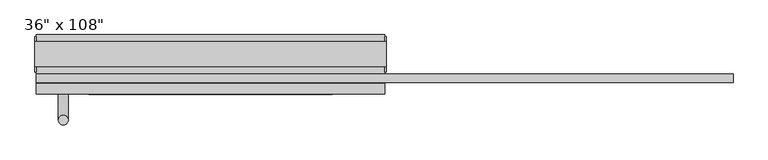
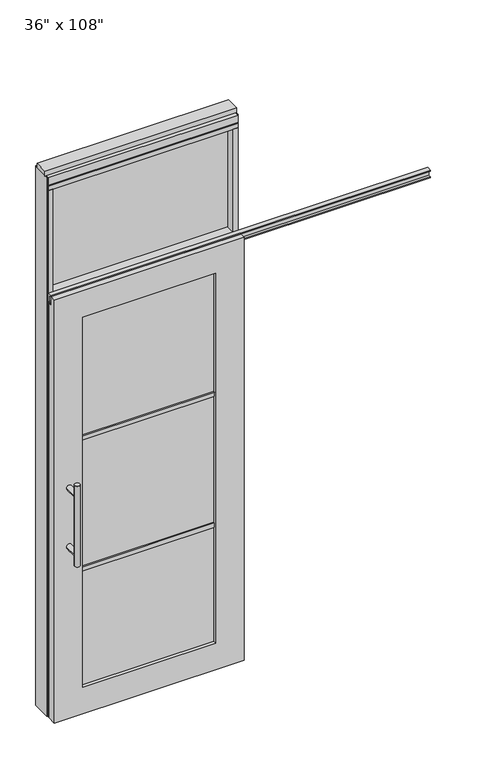
"""IFC4 building model written with IfcOpenShell, lengths in millimetres: furniture geometry."""

from ifc_helpers import new_model, si_unit, frame, origin, origin_with_axes, place, context, project, spatial, polyline, circle_curve, ellipse_curve, outline, extrude, faceted_brep, source, transform, mapped, element, save
from ifc_brep_helpers import plane_surface, cylinder_surface, advanced_brep


def furniture_dea003a3(model_context):
    return source(origin(), model_context, "Body", "SolidModel", [
        extrude(outline(polyline([(371.0014771, -9.5977216), (-491.0745229, -9.5977216), (-491.0745229, 0.5622784), (371.0014771, 0.5622784), (371.0014771, -9.5977216)])), frame((0.0, 0.0, 2133.6), z_axis=(0.0, 0.0, 1.0), x_axis=(1.0, 0.0, 0.0)), (0.0, 0.0, 1.0), 520.7),
        advanced_brep(
        [(-456.0225229, 3.3562784, 1219.2), (-430.6225229, 3.3562784, 1219.2), (-456.0225229, 3.3562784, 812.8), (-430.6225229, 3.3562784, 812.8), (-430.6225229, 3.3562784, 1164.336), (-430.6225229, 3.3562784, 867.664), (-456.0225229, 3.3562784, 867.664), (-456.0225229, 3.3562784, 1164.336), (-456.0225229, -64.2077216, 1164.336), (-430.6225229, -64.2077216, 1164.336), (-456.0225229, -64.2077216, 867.664), (-430.6225229, -64.2077216, 867.664)],
        [
            (0, 1, circle_curve(frame((-443.3225229, 3.3562784, 1219.2), z_axis=(0.0, 0.0, 1.0), x_axis=(1.0, 0.0, 0.0)), 12.7)),
            (1, 0, circle_curve(frame((-443.3225229, 3.3562784, 1219.2), z_axis=(0.0, 0.0, 1.0), x_axis=(1.0, 0.0, 0.0)), 12.7)),
            (2, 3, circle_curve(frame((-443.3225229, 3.3562784, 812.8), z_axis=(0.0, 0.0, -1.0), x_axis=(1.0, 0.0, 0.0)), 12.7)),
            (3, 2, circle_curve(frame((-443.3225229, 3.3562784, 812.8), z_axis=(0.0, 0.0, -1.0), x_axis=(1.0, 0.0, 0.0)), 12.7)),
            (1, 4),
            (4, 5),
            (5, 3),
            (2, 6),
            (6, 7),
            (7, 0),
            (6, 5, ellipse_curve(frame((-443.3225229, 3.3562784, 867.664), z_axis=(0.0, 0.707106781186565, 0.70710678118653), x_axis=(0.0, -0.70710678118653, 0.707106781186565)), 17.9605122, 12.7)),
            (4, 7, ellipse_curve(frame((-443.3225229, 3.3562784, 1164.336), z_axis=(0.0, 0.70710678118653, -0.7071067811865649), x_axis=(0.0, 0.7071067811865648, 0.7071067811865301)), 17.9605122, 12.7)),
            (7, 4, ellipse_curve(frame((-443.3225229, 3.3562784, 1164.336), z_axis=(0.0, 0.707106781186565, 0.70710678118653), x_axis=(0.0, -0.70710678118653, 0.707106781186565)), 17.9605122, 12.7)),
            (5, 6, ellipse_curve(frame((-443.3225229, 3.3562784, 867.664), z_axis=(0.0, 0.70710678118653, -0.7071067811865649), x_axis=(0.0, 0.7071067811865648, 0.7071067811865301)), 17.9605122, 12.7)),
            (8, 9, circle_curve(frame((-443.3225229, -64.2077216, 1164.336), z_axis=(0.0, -1.0, 0.0), x_axis=(1.0, 0.0, 0.0)), 12.7)),
            (9, 8, circle_curve(frame((-443.3225229, -64.2077216, 1164.336), z_axis=(0.0, -1.0, 0.0), x_axis=(1.0, 0.0, 0.0)), 12.7)),
            (8, 7),
            (4, 9),
            (10, 11, circle_curve(frame((-443.3225229, -64.2077216, 867.664), z_axis=(0.0, -1.0, 0.0), x_axis=(1.0, 0.0, 0.0)), 12.7)),
            (11, 10, circle_curve(frame((-443.3225229, -64.2077216, 867.664), z_axis=(0.0, -1.0, 0.0), x_axis=(1.0, 0.0, 0.0)), 12.7)),
            (10, 6),
            (5, 11),
        ],
        [
            plane_surface(frame((-430.6225229, 3.3562784, 1219.2), z_axis=(0.0, 0.0, 1.0), x_axis=(0.0, -1.0, 0.0))),
            plane_surface(frame((-430.6225229, 3.3562784, 812.8), z_axis=(0.0, 0.0, -1.0), x_axis=(0.0, 1.0, 0.0))),
            cylinder_surface(frame((-443.3225229, 3.3562784, 812.8), z_axis=(0.0, 0.0, 1.0), x_axis=(1.0, 0.0, 0.0)), 12.7),
            plane_surface(frame((-430.6225229, -64.2077216, 1164.336), z_axis=(0.0, -1.0, 0.0), x_axis=(0.0, 0.0, -1.0))),
            cylinder_surface(frame((-443.3225229, -64.2077216, 1164.336), z_axis=(0.0, 1.0, 0.0), x_axis=(1.0, 0.0, 0.0)), 12.7),
            plane_surface(frame((-430.6225229, -64.2077216, 867.664), z_axis=(0.0, -1.0, 0.0), x_axis=(0.0, 0.0, -1.0))),
            cylinder_surface(frame((-443.3225229, -64.2077216, 867.664), z_axis=(0.0, 1.0, 0.0), x_axis=(1.0, 0.0, 0.0)), 12.7),
        ],
        [
            (0, [[1, 2]]),
            (1, [[3, 4]]),
            (2, [[5, 6, 7, -3, 8, 9, 10, -2]]),
            (2, [[-9, 11, -6, 12]]),
            (2, [[-10, 13, -5, -1]]),
            (2, [[-7, 14, -8, -4]]),
            (3, [[15, 16]]),
            (4, [[17, -12, 18, -15]]),
            (4, [[-18, -13, -17, -16]]),
            (5, [[19, 20]]),
            (6, [[21, -14, 22, -19]]),
            (6, [[-22, -11, -21, -20]]),
        ],
    ),
        advanced_brep(
        [(-456.0225229, -176.2217216, 1219.2), (-430.6225229, -176.2217216, 1219.2), (-456.0225229, -176.2217216, 812.8), (-430.6225229, -176.2217216, 812.8), (-456.0225229, -176.2217216, 1164.336), (-456.0225229, -176.2217216, 867.664), (-430.6225229, -176.2217216, 867.664), (-430.6225229, -176.2217216, 1164.336), (-456.0225229, -108.6577216, 1164.336), (-430.6225229, -108.6577216, 1164.336), (-456.0225229, -108.6577216, 867.664), (-430.6225229, -108.6577216, 867.664)],
        [
            (0, 1, circle_curve(frame((-443.3225229, -176.2217216, 1219.2), z_axis=(0.0, 0.0, 1.0), x_axis=(1.0, 0.0, 0.0)), 12.7)),
            (1, 0, circle_curve(frame((-443.3225229, -176.2217216, 1219.2), z_axis=(0.0, 0.0, 1.0), x_axis=(1.0, 0.0, 0.0)), 12.7)),
            (2, 3, circle_curve(frame((-443.3225229, -176.2217216, 812.8), z_axis=(0.0, 0.0, -1.0), x_axis=(1.0, 0.0, 0.0)), 12.7)),
            (3, 2, circle_curve(frame((-443.3225229, -176.2217216, 812.8), z_axis=(0.0, 0.0, -1.0), x_axis=(1.0, 0.0, 0.0)), 12.7)),
            (0, 4),
            (4, 5),
            (5, 2),
            (3, 6),
            (6, 7),
            (7, 1),
            (7, 4, ellipse_curve(frame((-443.3225229, -176.2217216, 1164.336), z_axis=(0.0, -0.707106781186565, 0.70710678118653), x_axis=(0.0, 0.70710678118653, 0.707106781186565)), 17.9605122, 12.7)),
            (5, 6, ellipse_curve(frame((-443.3225229, -176.2217216, 867.664), z_axis=(0.0, -0.70710678118653, -0.7071067811865649), x_axis=(0.0, -0.7071067811865648, 0.7071067811865301)), 17.9605122, 12.7)),
            (4, 7, ellipse_curve(frame((-443.3225229, -176.2217216, 1164.336), z_axis=(0.0, -0.70710678118653, -0.7071067811865649), x_axis=(0.0, -0.7071067811865648, 0.7071067811865301)), 17.9605122, 12.7)),
            (6, 5, ellipse_curve(frame((-443.3225229, -176.2217216, 867.664), z_axis=(0.0, -0.707106781186565, 0.70710678118653), x_axis=(0.0, 0.70710678118653, 0.707106781186565)), 17.9605122, 12.7)),
            (8, 9, circle_curve(frame((-443.3225229, -108.6577216, 1164.336), z_axis=(0.0, 1.0, 0.0), x_axis=(1.0, 0.0, 0.0)), 12.7)),
            (9, 8, circle_curve(frame((-443.3225229, -108.6577216, 1164.336), z_axis=(0.0, 1.0, 0.0), x_axis=(1.0, 0.0, 0.0)), 12.7)),
            (9, 7),
            (4, 8),
            (10, 11, circle_curve(frame((-443.3225229, -108.6577216, 867.664), z_axis=(0.0, 1.0, 0.0), x_axis=(1.0, 0.0, 0.0)), 12.7)),
            (11, 10, circle_curve(frame((-443.3225229, -108.6577216, 867.664), z_axis=(0.0, 1.0, 0.0), x_axis=(1.0, 0.0, 0.0)), 12.7)),
            (11, 6),
            (5, 10),
        ],
        [
            plane_surface(frame((-430.6225229, -176.2217216, 1219.2), z_axis=(0.0, 0.0, 1.0), x_axis=(0.0, 1.0, 0.0))),
            plane_surface(frame((-430.6225229, -176.2217216, 812.8), z_axis=(0.0, 0.0, -1.0), x_axis=(0.0, -1.0, 0.0))),
            cylinder_surface(frame((-443.3225229, -176.2217216, 812.8), z_axis=(0.0, 0.0, 1.0), x_axis=(1.0, 0.0, 0.0)), 12.7),
            plane_surface(frame((-430.6225229, -108.6577216, 1164.336), z_axis=(0.0, 1.0, 0.0), x_axis=(0.0, 0.0, -1.0))),
            cylinder_surface(frame((-443.3225229, -108.6577216, 1164.336), z_axis=(0.0, -1.0, 0.0), x_axis=(1.0, 0.0, 0.0)), 12.7),
            plane_surface(frame((-430.6225229, -108.6577216, 867.664), z_axis=(0.0, 1.0, 0.0), x_axis=(0.0, 0.0, -1.0))),
            cylinder_surface(frame((-443.3225229, -108.6577216, 867.664), z_axis=(0.0, -1.0, 0.0), x_axis=(1.0, 0.0, 0.0)), 12.7),
        ],
        [
            (0, [[1, 2]]),
            (1, [[3, 4]]),
            (2, [[-1, 5, 6, 7, -4, 8, 9, 10]]),
            (2, [[-2, -10, 11, -5]]),
            (2, [[-3, -7, 12, -8]]),
            (2, [[13, -9, 14, -6]]),
            (3, [[15, 16]]),
            (4, [[-16, 17, -13, 18]]),
            (4, [[-15, -18, -11, -17]]),
            (5, [[19, 20]]),
            (6, [[-20, 21, -12, 22]]),
            (6, [[-19, -22, -14, -21]]),
        ],
    ),
        extrude(outline(polyline([(-377.2825229, -97.5452216), (-377.2825229, -75.3202216), (257.2094771, -75.3202216), (257.2094771, -97.5452216), (-377.2825229, -97.5452216)])), frame((0.0, 0.0, 1371.6), z_axis=(0.0, 0.0, 1.0), x_axis=(1.0, 0.0, 0.0)), (0.0, 0.0, 1.0), 22.225),
        extrude(outline(polyline([(-377.2825229, -97.5452216), (-377.2825229, -75.3202216), (257.2094771, -75.3202216), (257.2094771, -97.5452216), (-377.2825229, -97.5452216)])), frame((0.0, 0.0, 711.2), z_axis=(0.0, 0.0, 1.0), x_axis=(1.0, 0.0, 0.0)), (0.0, 0.0, 1.0), 22.225),
        extrude(outline(polyline([(257.2094771, -91.5127216), (-377.2825229, -91.5127216), (-377.2825229, -81.3527216), (257.2094771, -81.3527216), (257.2094771, -91.5127216)])), frame((0.0, 0.0, 132.969), z_axis=(0.0, 0.0, 1.0), x_axis=(1.0, 0.0, 0.0)), (0.0, 0.0, 1.0), 1867.662),
        extrude(outline(polyline([(-77.9237216, 2097.278), (-77.9237216, 2102.612), (-65.2237216, 2102.612), (-65.2237216, 2131.568), (-77.9237216, 2131.568), (-77.9237216, 2136.902), (-56.2067216, 2136.902), (-56.2067216, 2097.278), (-77.9237216, 2097.278)])), frame((-513.2995229, 0.0, 0.0), z_axis=(1.0, 0.0, 0.0), x_axis=(0.0, 1.0, 0.0)), (0.0, 0.0, 1.0), 1813.052),
        faceted_brep([(-513.2995229, -108.6577216, 0.0), (393.2264771, -108.6577216, 0.0), (393.2264771, -108.6577216, 2133.6), (-513.2995229, -108.6577216, 2133.6), (257.2094771, -108.6577216, 2000.631), (257.2094771, -108.6577216, 132.969), (-377.2825229, -108.6577216, 132.969), (-377.2825229, -108.6577216, 2000.631), (-513.2995229, -81.2257216, 2133.6), (393.2264771, -81.2257216, 2133.6), (393.2264771, -81.2257216, 2089.023), (-513.2995229, -81.2257216, 2089.023), (-513.2995229, -64.2077216, 2089.023), (-513.2995229, -64.2077216, 0.0), (393.2264771, -64.2077216, 0.0), (393.2264771, -64.2077216, 2089.023), (257.2094771, -64.2077216, 2000.631), (-377.2825229, -64.2077216, 2000.631), (-377.2825229, -64.2077216, 132.969), (257.2094771, -64.2077216, 132.969)], [[[0, 1, 2, 3], [4, 5, 6, 7]], [[8, 9, 10, 11]], [[0, 3, 8, 11, 12, 13]], [[2, 1, 14, 15, 10, 9]], [[3, 2, 9, 8]], [[15, 14, 13, 12], [16, 17, 18, 19]], [[15, 12, 11, 10]], [[1, 0, 13, 14]], [[5, 4, 16, 19]], [[6, 5, 19, 18]], [[7, 6, 18, 17]], [[4, 7, 17, 16]]]),
        extrude(outline(polyline([(-491.0745229, -55.3177216), (-513.2995229, -55.3177216), (-513.2995229, 46.2822784), (-491.0745229, 46.2822784), (-491.0745229, -55.3177216)])), frame((0.0, 0.0, 2133.6), z_axis=(0.0, 0.0, 1.0), x_axis=(1.0, 0.0, 0.0)), (0.0, 0.0, 1.0), 520.7),
        extrude(outline(polyline([(371.0014771, -55.3177216), (371.0014771, 46.2822784), (393.2264771, 46.2822784), (393.2264771, -55.3177216), (371.0014771, -55.3177216)])), frame((0.0, 0.0, 2133.6), z_axis=(0.0, 0.0, 1.0), x_axis=(1.0, 0.0, 0.0)), (0.0, 0.0, 1.0), 520.7),
        extrude(outline(polyline([(-513.2995229, -55.3177216), (-513.2995229, 46.2822784), (393.2264771, 46.2822784), (393.2264771, -55.3177216), (-513.2995229, -55.3177216)])), frame((0.0, 0.0, 2070.1), z_axis=(0.0, 0.0, 1.0), x_axis=(1.0, 0.0, 0.0)), (0.0, 0.0, 1.0), 22.225),
        extrude(outline(polyline([(-55.3177216, 2097.278), (-55.3177216, 2133.6), (46.2822784, 2133.6), (46.2822784, 2097.278), (41.3292784, 2097.278), (41.3292784, 2092.325), (-50.3647216, 2092.325), (-50.3647216, 2097.278), (-55.3177216, 2097.278)])), frame((-513.2995229, 0.0, 0.0), z_axis=(1.0, 0.0, 0.0), x_axis=(0.0, 1.0, 0.0)), (0.0, 0.0, 1.0), 906.526),
        extrude(outline(polyline([(-513.2995229, -55.3177216), (-513.2995229, 46.2822784), (393.2264771, 46.2822784), (393.2264771, -55.3177216), (-513.2995229, -55.3177216)])), frame((0.0, 0.0, 2654.3), z_axis=(0.0, 0.0, 1.0), x_axis=(1.0, 0.0, 0.0)), (0.0, 0.0, 1.0), 22.225),
        extrude(outline(polyline([(397.1634771, -50.3647216), (393.2264771, -50.3647216), (393.2264771, 41.3292784), (397.1634771, 41.3292784), (397.1634771, -50.3647216)])), origin_with_axes(), (0.0, 0.0, 1.0), 2717.8),
        extrude(outline(polyline([(-517.2365229, -50.3647216), (-517.2365229, 41.3292784), (-513.2995229, 41.3292784), (-513.2995229, -50.3647216), (-517.2365229, -50.3647216)])), origin_with_axes(), (0.0, 0.0, 1.0), 2717.8),
        extrude(outline(polyline([(371.0014771, -55.3177216), (371.0014771, 46.2822784), (393.2264771, 46.2822784), (393.2264771, -55.3177216), (371.0014771, -55.3177216)])), origin_with_axes(), (0.0, 0.0, 1.0), 2070.1),
        extrude(outline(polyline([(-491.0745229, -55.3177216), (-513.2995229, -55.3177216), (-513.2995229, 46.2822784), (-491.0745229, 46.2822784), (-491.0745229, -55.3177216)])), origin_with_axes(), (0.0, 0.0, 1.0), 2070.1),
        extrude(outline(polyline([(-55.3177216, 2681.478), (-55.3177216, 2717.8), (46.2822784, 2717.8), (46.2822784, 2681.478), (41.3292784, 2681.478), (41.3292784, 2676.525), (-50.3647216, 2676.525), (-50.3647216, 2681.478), (-55.3177216, 2681.478)])), frame((-513.2995229, 0.0, 0.0), z_axis=(1.0, 0.0, 0.0), x_axis=(0.0, 1.0, 0.0)), (0.0, 0.0, 1.0), 906.526),
        extrude(outline(polyline([(-517.2365229, -37.0297216), (-517.2365229, 27.9942784), (397.1634771, 27.9942784), (397.1634771, -37.0297216), (-517.2365229, -37.0297216)])), frame((0.0, 0.0, 2717.8), z_axis=(0.0, 0.0, 1.0), x_axis=(1.0, 0.0, 0.0)), (0.0, 0.0, 1.0), 25.4),
    ])


if __name__ == "__main__":
    model = new_model("IFC4")
    model_context = context("Model", 3, world=origin())
    ifc_project = project(units=[si_unit("LENGTHUNIT", "METRE", prefix="MILLI")], contexts=[model_context])
    site = spatial("IfcSite", under=ifc_project)
    building = spatial("IfcBuilding", under=site)
    placement = place(None, origin())
    furniture_shape = furniture_dea003a3(model_context)
    element("IfcFurniture", 1, ObjectType="36\" x 108\"", at=placement, inside=building, context=model_context, shape_type="MappedRepresentation", body=[
        mapped(furniture_shape, transform((0.0, 0.0, 0.0), x_axis=(1.0, 0.0, 0.0), y_axis=(0.0, 1.0, 0.0), z_axis=(0.0, 0.0, 1.0))),
    ])
    save(model, "model.ifc")
